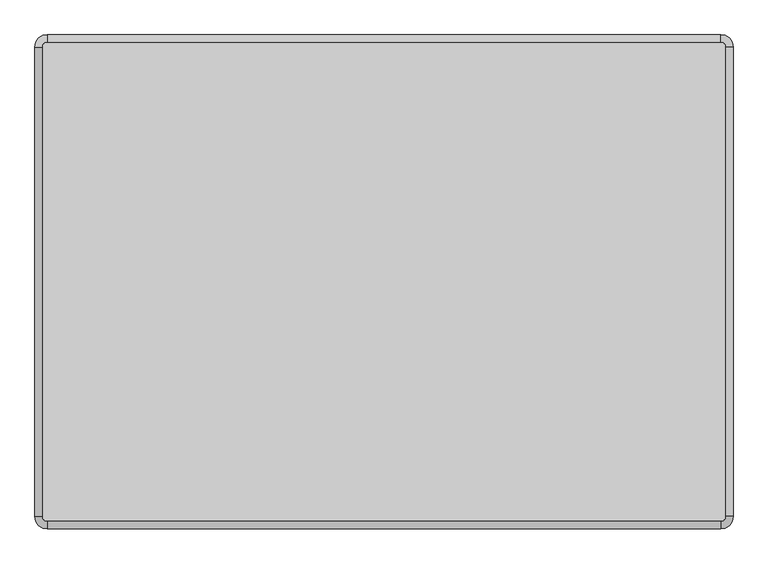
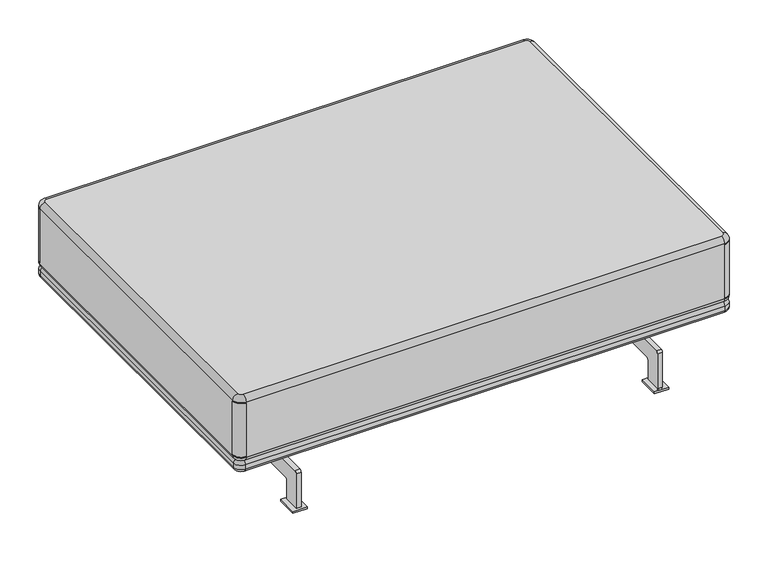
"""IFC4 building model written with IfcOpenShell, lengths in millimetres: furniture geometry."""

import ifcopenshell
import ifcopenshell.guid

model = None  # the IFC model being written
_history = None  # IfcOwnerHistory: only IFC2X3 demands one
_inside = {}  # id of a spatial element -> (the spatial element, [elements in it])
_under = {}  # id of a project, library or spatial element -> (it, [spatial elements below it])
_declared = {}  # id of a project -> (the project, [libraries it declares])
_typed = {}  # id of a type object -> (the type object, [elements of that type])
_made_of = {}  # id of a material, layer set ... -> (it, [elements and type objects made of it])


def new_model(schema):
    """Start an empty IFC model of exactly this schema.

    Asked for "IFC4X3", IfcOpenShell would pick the latest addendum, in which some entities
    have other attributes; the version numbers below select the first issue.
    IFC2X3 requires an IfcOwnerHistory on every rooted entity: one is made here for all.
    """
    global model, _history
    if schema == "IFC4X3":
        model = ifcopenshell.file(schema_version=(4, 3, 0, 0))
    else:
        model = ifcopenshell.file(schema=schema)
    _inside.clear()
    _under.clear()
    _declared.clear()
    _typed.clear()
    _made_of.clear()
    _history = None
    if model.schema == "IFC2X3":
        org = make("IfcOrganization", Name="unknown")
        user = make(
            "IfcPersonAndOrganization",
            ThePerson=make("IfcPerson", FamilyName="unknown"),
            TheOrganization=org,
        )
        app = make(
            "IfcApplication",
            ApplicationDeveloper=org,
            Version="unknown",
            ApplicationFullName="unknown",
            ApplicationIdentifier="unknown",
        )
        _history = make(
            "IfcOwnerHistory",
            OwningUser=user,
            OwningApplication=app,
            ChangeAction="ADDED",
            CreationDate=0,
        )
    return model


def make(cls, **values):
    """One entity of the class cls with the attributes given. An attribute that is None is left unset."""
    return model.create_entity(
        cls, **{name: value for name, value in values.items() if value is not None}
    )


def rooted(cls, **values):
    """An entity with a GlobalId (a new one), such as an element, a storey or a relation."""
    return make(cls, GlobalId=ifcopenshell.guid.new(), OwnerHistory=_history, **values)


def si_unit(unit_type, name, prefix=None):
    """IfcSIUnit, for example si_unit("LENGTHUNIT", "METRE", prefix="MILLI")."""
    return make("IfcSIUnit", UnitType=unit_type, Prefix=prefix, Name=name)


def assignment(units):
    """IfcUnitAssignment: the units of a project."""
    return None if units is None else make("IfcUnitAssignment", Units=units)


def point(xyz):
    """IfcCartesianPoint."""
    return None if xyz is None else make("IfcCartesianPoint", Coordinates=xyz)


def direction(xyz):
    """IfcDirection."""
    return None if xyz is None else make("IfcDirection", DirectionRatios=xyz)


def frame(location, z_axis=None, x_axis=None):
    """IfcAxis2Placement3D, a coordinate frame: its origin and axes. An axis left out is left unset."""
    return make(
        "IfcAxis2Placement3D",
        Location=point(location),
        Axis=direction(z_axis),
        RefDirection=direction(x_axis),
    )


def frame_2d(location, x_axis=None):
    """IfcAxis2Placement2D, a coordinate frame in the plane: its origin and x axis."""
    return make(
        "IfcAxis2Placement2D", Location=point(location), RefDirection=direction(x_axis)
    )


def origin():
    """The frame at (0, 0, 0) with its axes left unset."""
    return frame((0.0, 0.0, 0.0))


def origin_with_axes():
    """The frame at (0, 0, 0) with the z axis (0, 0, 1) and the x axis (1, 0, 0) written out."""
    return frame((0.0, 0.0, 0.0), z_axis=(0.0, 0.0, 1.0), x_axis=(1.0, 0.0, 0.0))


def place(relative_to, where):
    """IfcLocalPlacement: puts the frame where relative to a parent placement (None: the world)."""
    return make(
        "IfcLocalPlacement", PlacementRelTo=relative_to, RelativePlacement=where
    )


def context(
    kind, dimensions, precision=None, world=None, true_north=None, identifier=None
):
    """IfcGeometricRepresentationContext, for example the 3D "Model" context."""
    return make(
        "IfcGeometricRepresentationContext",
        ContextIdentifier=identifier,
        ContextType=kind,
        CoordinateSpaceDimension=dimensions,
        Precision=precision,
        WorldCoordinateSystem=world,
        TrueNorth=true_north,
    )


def project(units=None, contexts=None):
    """IfcProject with its units and contexts."""
    return rooted(
        "IfcProject",
        Name="project",
        RepresentationContexts=contexts,
        UnitsInContext=assignment(units),
    )


def spatial(cls, under=None, at=None, **own):
    """A site, building, storey or space (cls), placed at a placement, below another one or the project."""
    s = rooted(cls, ObjectPlacement=at, **own)
    if under is not None:
        _under.setdefault(under.id(), (under, []))[1].append(s)
    return s


def polyline(points):
    """IfcPolyline through the points."""
    return make("IfcPolyline", Points=[point(p) for p in points])


def circle_curve(where, radius):
    """IfcCircle in the frame where."""
    return make("IfcCircle", Position=where, Radius=radius)


def ellipse_curve(where, semi_axis1, semi_axis2):
    """IfcEllipse in the frame where."""
    return make(
        "IfcEllipse", Position=where, SemiAxis1=semi_axis1, SemiAxis2=semi_axis2
    )


def trimmed(basis, trim1, trim2, sense, master):
    """IfcTrimmedCurve: the piece of a basis curve between two trims."""
    return make(
        "IfcTrimmedCurve",
        BasisCurve=basis,
        Trim1=trim1,
        Trim2=trim2,
        SenseAgreement=sense,
        MasterRepresentation=master,
    )


def segment(curve, same_sense, transition):
    """IfcCompositeCurveSegment."""
    return make(
        "IfcCompositeCurveSegment",
        Transition=transition,
        SameSense=same_sense,
        ParentCurve=curve,
    )


def composite_curve(segments, self_intersect=None):
    """IfcCompositeCurve: segments joined end to end."""
    return make("IfcCompositeCurve", Segments=segments, SelfIntersect=self_intersect)


def outline(outer, holes=None, kind="AREA"):
    """IfcArbitraryClosedProfileDef: a profile drawn as a closed curve; with holes, ...WithVoids."""
    if holes is None:
        return make("IfcArbitraryClosedProfileDef", ProfileType=kind, OuterCurve=outer)
    return make(
        "IfcArbitraryProfileDefWithVoids",
        ProfileType=kind,
        OuterCurve=outer,
        InnerCurves=holes,
    )


def extrude(swept, where, along, depth):
    """IfcExtrudedAreaSolid: the profile swept, set in the frame where, extruded along a direction by depth."""
    return make(
        "IfcExtrudedAreaSolid",
        SweptArea=swept,
        Position=where,
        ExtrudedDirection=direction(along),
        Depth=depth,
    )


def shape(context_of_items, identifier, shape_type, items):
    """IfcShapeRepresentation: the items that make up one representation, for example the "Body"."""
    return make(
        "IfcShapeRepresentation",
        ContextOfItems=context_of_items,
        RepresentationIdentifier=identifier,
        RepresentationType=shape_type,
        Items=items,
    )


def source(mapping_origin, context_of_items, identifier, shape_type, items):
    """IfcRepresentationMap: a shape defined once, which mapped items show again and again."""
    return make(
        "IfcRepresentationMap",
        MappingOrigin=mapping_origin,
        MappedRepresentation=shape(context_of_items, identifier, shape_type, items),
    )


def transform(
    local_origin,
    x_axis=None,
    y_axis=None,
    z_axis=None,
    scale=None,
    scale2=None,
    scale3=None,
    uniform=True,
):
    """IfcCartesianTransformationOperator3D, or its non-uniform kind. x_axis, y_axis, z_axis: its Axis1, 2, 3."""
    if uniform:
        return make(
            "IfcCartesianTransformationOperator3D",
            Axis1=direction(x_axis),
            Axis2=direction(y_axis),
            LocalOrigin=point(local_origin),
            Scale=scale,
            Axis3=direction(z_axis),
        )
    return make(
        "IfcCartesianTransformationOperator3DnonUniform",
        Axis1=direction(x_axis),
        Axis2=direction(y_axis),
        LocalOrigin=point(local_origin),
        Scale=scale,
        Axis3=direction(z_axis),
        Scale2=scale2,
        Scale3=scale3,
    )


def mapped(mapping_source, mapping_target):
    """IfcMappedItem: shows the shape of a source again, moved by a transform."""
    return make(
        "IfcMappedItem", MappingSource=mapping_source, MappingTarget=mapping_target
    )


def made_of(thing, what):
    """Note that an element or type object is made of a material, layer set ...; save() writes the relation."""
    if what is not None:
        _made_of.setdefault(what.id(), (what, []))[1].append(thing)
    return thing


def element(
    cls,
    number,
    at=None,
    inside=None,
    cuts=None,
    type_object=None,
    material=None,
    context=None,
    identifier="Body",
    shape_type=None,
    held_by="IfcProductDefinitionShape",
    body=None,
    shapes=None,
    **own,
):
    """One element of the class cls, such as IfcWall. Its Tag is "e" and its number.

    at: its placement. inside: the storey or other place that contains it. cuts: it is an
    opening in that element (IfcRelVoidsElement). A single representation is given by context,
    identifier, shape_type and body (its items); several are given by shapes. held_by: the class
    of the entity that holds the representations. save() writes the other relations.
    """
    e = rooted(cls, Tag="e%d" % number, ObjectPlacement=at, **own)
    if body is not None:
        shapes = [shape(context, identifier, shape_type, body)]
    if shapes is not None:
        e.Representation = make(held_by, Representations=shapes)
    if inside is not None:
        _inside.setdefault(inside.id(), (inside, []))[1].append(e)
    if cuts is not None:
        rooted(
            "IfcRelVoidsElement", RelatingBuildingElement=cuts, RelatedOpeningElement=e
        )
    if type_object is not None:
        _typed.setdefault(type_object.id(), (type_object, []))[1].append(e)
    return made_of(e, material)


def aggregate(whole, parts):
    """IfcRelAggregates: a whole, such as a stair, and the parts it consists of."""
    return rooted("IfcRelAggregates", RelatingObject=whole, RelatedObjects=parts)


def save(model, path):
    """Write the relations noted so far, then the file.

    IfcRelAggregates (storeys below a building ...), IfcRelContainedInSpatialStructure (elements
    in a storey), IfcRelDefinesByType, IfcRelAssociatesMaterial and IfcRelDeclares: one each for
    every whole, place, type object, material and project.
    """
    for whole, parts in _under.values():
        aggregate(whole, parts)
    for where, things in _inside.values():
        rooted(
            "IfcRelContainedInSpatialStructure",
            RelatedElements=things,
            RelatingStructure=where,
        )
    for kind, things in _typed.values():
        rooted("IfcRelDefinesByType", RelatedObjects=things, RelatingType=kind)
    for what, things in _made_of.values():
        rooted("IfcRelAssociatesMaterial", RelatedObjects=things, RelatingMaterial=what)
    for by, libraries in _declared.values():
        rooted("IfcRelDeclares", RelatingContext=by, RelatedDefinitions=libraries)
    model.write(path)


def plane_surface(at):
    """IfcPlane: the flat surface through the origin of the frame at, square to its z axis."""
    return make("IfcPlane", Position=at)


def cylinder_surface(at, radius):
    """IfcCylindricalSurface: all points at the distance radius from the z axis of the frame at."""
    return make("IfcCylindricalSurface", Position=at, Radius=radius)


def revolved_surface(curve, axis_point, axis_direction):
    """IfcSurfaceOfRevolution: the curve turned about the line through axis_point along axis_direction."""
    return make(
        "IfcSurfaceOfRevolution",
        SweptCurve=make("IfcArbitraryOpenProfileDef", ProfileType="CURVE", Curve=curve),
        AxisPosition=make("IfcAxis1Placement", Location=point(axis_point), Axis=direction(axis_direction)),
    )


def advanced_brep(points, edges, surfaces, faces):
    """IfcAdvancedBrep: a solid bounded by faces that lie on surfaces and meet in shared edges.

    An edge is (start, end): straight between two places in points (the first is 0);
    or (start, end, curve); or (start, end, curve, False) where it runs against its curve.
    A face is (place in surfaces, loops), or (place, loops, False) where it looks against
    its surface's normal. A loop lists edges by number (the first is 1), with a minus sign
    where the edge is run from its end to its start. The first loop is the outer one.
    """
    corners = [point(p) for p in points]
    vertices = [make("IfcVertexPoint", VertexGeometry=c) for c in corners]
    made = []
    for start, end, *more in edges:
        made.append(
            make(
                "IfcEdgeCurve",
                EdgeStart=vertices[start],
                EdgeEnd=vertices[end],
                EdgeGeometry=more[0] if more else make("IfcPolyline", Points=[corners[start], corners[end]]),
                SameSense=more[1] if len(more) > 1 else True,
            )
        )
    hull = []
    for where, loops, *sense in faces:
        bounds = []
        for j, loop in enumerate(loops):
            ring = [make("IfcOrientedEdge", EdgeElement=made[abs(k) - 1], Orientation=k > 0) for k in loop]
            bounds.append(
                make(
                    "IfcFaceOuterBound" if j == 0 else "IfcFaceBound",
                    Bound=make("IfcEdgeLoop", EdgeList=ring),
                    Orientation=True,
                )
            )
        hull.append(make("IfcAdvancedFace", Bounds=bounds, FaceSurface=surfaces[where], SameSense=sense[0] if sense else True))
    return make("IfcAdvancedBrep", Outer=make("IfcClosedShell", CfsFaces=hull))


def furniture_5f7a2bc5(model_context):
    return source(origin(), model_context, "Body", "SolidModel", [
        advanced_brep(
        [(-601.3664299, -406.0173099, 336.7190305), (-601.3664299, -406.0173099, 199.9545565), (-580.3183859, -427.065354, 199.9545565), (-580.3183859, -427.065354, 336.7190305), (-580.3183859, -427.065354, 197.3364528), (584.3360127, -427.065354, 197.3364528), (584.3360127, -427.065354, 199.9545565), (584.3360127, -427.065354, 336.7190305), (584.3360127, -427.065354, 339.3371343), (-580.3183859, -427.065354, 339.3371343), (605.3840568, -406.0173099, 199.9545565), (605.3840568, -406.0173099, 336.7190305), (605.3840568, -406.0173099, 197.3364528), (605.3840568, 406.0373968, 197.3364528), (605.3840568, 406.0373968, 199.9545565), (605.3840568, 406.0373968, 336.7190305), (605.3840568, 406.0373968, 339.3371343), (605.3840568, -406.0173099, 339.3371343), (584.3360127, 427.0854409, 199.9545565), (584.3360127, 427.0854409, 336.7190305), (584.3360127, 427.0854409, 197.3364528), (-580.3183859, 427.0854409, 197.3364528), (-580.3183859, 427.0854409, 199.9545565), (-580.3183859, 427.0854409, 336.7190305), (-580.3183859, 427.0854409, 339.3371343), (584.3360127, 427.0854409, 339.3371343), (-601.3664299, 406.0373968, 199.9545565), (-601.3664299, 406.0373968, 336.7190305), (-601.3664299, -406.0173099, 339.3371343), (-601.3664299, 406.0373968, 339.3371343), (-601.3664299, 406.0373968, 197.3364528), (-601.3664299, -406.0173099, 197.3364528), (-589.0299771, 406.0373968, 351.6735871), (-580.3183859, 414.7489881, 351.6735871), (-589.0299771, -406.0173099, 351.6735871), (-580.3183859, -414.7289012, 351.6735871), (584.3360127, -414.7289012, 351.6735871), (593.047604, -406.0173099, 351.6735871), (593.047604, 406.0373968, 351.6735871), (584.3360127, 414.7489881, 351.6735871), (-589.0299771, 406.0373968, 185.0), (-580.3183859, 414.7489881, 185.0), (584.3360127, 414.7489881, 185.0), (593.047604, 406.0373968, 185.0), (593.047604, -406.0173099, 185.0), (584.3360127, -414.7289012, 185.0), (-580.3183859, -414.7289012, 185.0), (-589.0299771, -406.0173099, 185.0)],
        [
            (0, 1),
            (1, 2, circle_curve(frame((-580.3183859, -406.0173099, 199.9545565), z_axis=(0.0, 0.0, 1.0), x_axis=(-1.0, 0.0, 0.0)), 21.0480441)),
            (2, 3),
            (3, 0, circle_curve(frame((-580.3183859, -406.0173099, 336.7190305), z_axis=(0.0, 0.0, -1.0), x_axis=(-1.0, 0.0, 0.0)), 21.0480441)),
            (2, 4),
            (4, 5),
            (5, 6),
            (6, 7),
            (7, 8),
            (8, 9),
            (9, 3),
            (6, 10, circle_curve(frame((584.3360127, -406.0173099, 199.9545565), z_axis=(0.0, 0.0, 1.0), x_axis=(0.0, -1.0, 0.0)), 21.0480441)),
            (10, 11),
            (11, 7, circle_curve(frame((584.3360127, -406.0173099, 336.7190305), z_axis=(0.0, 0.0, -1.0), x_axis=(0.0, -1.0, 0.0)), 21.0480441)),
            (10, 12),
            (12, 13),
            (13, 14),
            (14, 15),
            (15, 16),
            (16, 17),
            (17, 11),
            (14, 18, circle_curve(frame((584.3360127, 406.0373968, 199.9545565), z_axis=(0.0, 0.0, 1.0), x_axis=(1.0, 0.0, 0.0)), 21.0480441)),
            (18, 19),
            (19, 15, circle_curve(frame((584.3360127, 406.0373968, 336.7190305), z_axis=(0.0, 0.0, -1.0), x_axis=(1.0, 0.0, 0.0)), 21.0480441)),
            (18, 20),
            (20, 21),
            (21, 22),
            (22, 23),
            (23, 24),
            (24, 25),
            (25, 19),
            (22, 26, circle_curve(frame((-580.3183859, 406.0373968, 199.9545565), z_axis=(0.0, 0.0, 1.0), x_axis=(0.0, 1.0, 0.0)), 21.0480441)),
            (26, 27),
            (27, 23, circle_curve(frame((-580.3183859, 406.0373968, 336.7190305), z_axis=(0.0, 0.0, -1.0), x_axis=(0.0, 1.0, 0.0)), 21.0480441)),
            (0, 28),
            (28, 29),
            (29, 27),
            (26, 30),
            (30, 31),
            (31, 1),
            (29, 24, circle_curve(frame((-580.3183859, 406.0373968, 339.3371343), z_axis=(0.0, 0.0, -1.0), x_axis=(0.0, 1.0, 0.0)), 21.0480441)),
            (29, 32, circle_curve(frame((-589.0299771, 406.0373968, 339.3371343), z_axis=(0.0, 1.0, 0.0), x_axis=(1.0, 0.0, 0.0)), 12.3364528)),
            (32, 33, circle_curve(frame((-580.3183859, 406.0373968, 351.6735871), z_axis=(0.0, 0.0, -1.0), x_axis=(0.0, 1.0, 0.0)), 8.7115913)),
            (33, 24, circle_curve(frame((-580.3183859, 414.7489881, 339.3371343), z_axis=(-1.0, 0.0, 0.0), x_axis=(0.0, -1.0, 0.0)), 12.3364528)),
            (28, 34, circle_curve(frame((-589.0299771, -406.0173099, 339.3371343), z_axis=(0.0, 1.0, 0.0), x_axis=(1.0, 0.0, 0.0)), 12.3364528)),
            (34, 32),
            (9, 28, circle_curve(frame((-580.3183859, -406.0173099, 339.3371343), z_axis=(0.0, 0.0, -1.0), x_axis=(-1.0, 0.0, 0.0)), 21.0480441)),
            (9, 35, circle_curve(frame((-580.3183859, -414.7289012, 339.3371343), z_axis=(-1.0, 0.0, 0.0), x_axis=(0.0, 1.0, 0.0)), 12.3364528)),
            (35, 34, circle_curve(frame((-580.3183859, -406.0173099, 351.6735871), z_axis=(0.0, 0.0, -1.0), x_axis=(-1.0, 0.0, 0.0)), 8.7115913)),
            (8, 36, circle_curve(frame((584.3360127, -414.7289012, 339.3371343), z_axis=(-1.0, 0.0, 0.0), x_axis=(0.0, 1.0, 0.0)), 12.3364528)),
            (36, 35),
            (17, 8, circle_curve(frame((584.3360127, -406.0173099, 339.3371343), z_axis=(0.0, 0.0, -1.0), x_axis=(0.0, -1.0, 0.0)), 21.0480441)),
            (17, 37, circle_curve(frame((593.047604, -406.0173099, 339.3371343), z_axis=(0.0, -1.0, 0.0), x_axis=(-1.0, 0.0, 0.0)), 12.3364528)),
            (37, 36, circle_curve(frame((584.3360127, -406.0173099, 351.6735871), z_axis=(0.0, 0.0, -1.0), x_axis=(0.0, -1.0, 0.0)), 8.7115913)),
            (16, 38, circle_curve(frame((593.047604, 406.0373968, 339.3371343), z_axis=(0.0, -1.0, 0.0), x_axis=(-1.0, 0.0, 0.0)), 12.3364528)),
            (38, 37),
            (25, 16, circle_curve(frame((584.3360127, 406.0373968, 339.3371343), z_axis=(0.0, 0.0, -1.0), x_axis=(1.0, 0.0, 0.0)), 21.0480441)),
            (25, 39, circle_curve(frame((584.3360127, 414.7489881, 339.3371343), z_axis=(1.0, 0.0, 0.0), x_axis=(0.0, -1.0, 0.0)), 12.3364528)),
            (39, 38, circle_curve(frame((584.3360127, 406.0373968, 351.6735871), z_axis=(0.0, 0.0, -1.0), x_axis=(1.0, 0.0, 0.0)), 8.7115913)),
            (33, 39),
            (40, 41, circle_curve(frame((-580.3183859, 406.0373968, 185.0), z_axis=(0.0, 0.0, -1.0), x_axis=(0.0, 1.0, 0.0)), 8.7115913)),
            (41, 42),
            (42, 43, circle_curve(frame((584.3360127, 406.0373968, 185.0), z_axis=(0.0, 0.0, -1.0), x_axis=(1.0, 0.0, 0.0)), 8.7115913)),
            (43, 44),
            (44, 45, circle_curve(frame((584.3360127, -406.0173099, 185.0), z_axis=(0.0, 0.0, -1.0), x_axis=(0.0, -1.0, 0.0)), 8.7115913)),
            (45, 46),
            (46, 47, circle_curve(frame((-580.3183859, -406.0173099, 185.0), z_axis=(0.0, 0.0, -1.0), x_axis=(-1.0, 0.0, 0.0)), 8.7115913)),
            (47, 40),
            (21, 30, circle_curve(frame((-580.3183859, 406.0373968, 197.3364528), z_axis=(0.0, 0.0, 1.0), x_axis=(0.0, 1.0, 0.0)), 21.0480441)),
            (21, 41, circle_curve(frame((-580.3183859, 414.7489881, 197.3364528), z_axis=(-1.0, 0.0, 0.0), x_axis=(0.0, -1.0, 0.0)), 12.3364528)),
            (40, 30, circle_curve(frame((-589.0299771, 406.0373968, 197.3364528), z_axis=(0.0, 1.0, 0.0), x_axis=(1.0, 0.0, 0.0)), 12.3364528)),
            (47, 31, circle_curve(frame((-589.0299771, -406.0173099, 197.3364528), z_axis=(0.0, 1.0, 0.0), x_axis=(1.0, 0.0, 0.0)), 12.3364528)),
            (31, 4, circle_curve(frame((-580.3183859, -406.0173099, 197.3364528), z_axis=(0.0, 0.0, 1.0), x_axis=(-1.0, 0.0, 0.0)), 21.0480441)),
            (46, 4, circle_curve(frame((-580.3183859, -414.7289012, 197.3364528), z_axis=(-1.0, 0.0, 0.0), x_axis=(0.0, 1.0, 0.0)), 12.3364528)),
            (45, 5, circle_curve(frame((584.3360127, -414.7289012, 197.3364528), z_axis=(-1.0, 0.0, 0.0), x_axis=(0.0, 1.0, 0.0)), 12.3364528)),
            (5, 12, circle_curve(frame((584.3360127, -406.0173099, 197.3364528), z_axis=(0.0, 0.0, 1.0), x_axis=(0.0, -1.0, 0.0)), 21.0480441)),
            (44, 12, circle_curve(frame((593.047604, -406.0173099, 197.3364528), z_axis=(0.0, -1.0, 0.0), x_axis=(-1.0, 0.0, 0.0)), 12.3364528)),
            (43, 13, circle_curve(frame((593.047604, 406.0373968, 197.3364528), z_axis=(0.0, -1.0, 0.0), x_axis=(-1.0, 0.0, 0.0)), 12.3364528)),
            (13, 20, circle_curve(frame((584.3360127, 406.0373968, 197.3364528), z_axis=(0.0, 0.0, 1.0), x_axis=(1.0, 0.0, 0.0)), 21.0480441)),
            (42, 20, circle_curve(frame((584.3360127, 414.7489881, 197.3364528), z_axis=(1.0, 0.0, 0.0), x_axis=(0.0, -1.0, 0.0)), 12.3364528)),
        ],
        [
            cylinder_surface(frame((-580.3183859, -406.0173099, 199.9545565), z_axis=(0.0, 0.0, 1.0), x_axis=(-1.0, 0.0, 0.0)), 21.0480441),
            plane_surface(frame((-580.3183859, -427.065354, 336.7190305), z_axis=(0.0, -1.0, 0.0), x_axis=(0.0, 0.0, -1.0))),
            cylinder_surface(frame((584.3360127, -406.0173099, 199.9545565), z_axis=(0.0, 0.0, 1.0), x_axis=(0.0, -1.0, 0.0)), 21.0480441),
            plane_surface(frame((605.3840568, -406.0173099, 336.7190305), z_axis=(1.0, 0.0, 0.0), x_axis=(0.0, 0.0, -1.0))),
            cylinder_surface(frame((584.3360127, 406.0373968, 199.9545565), z_axis=(0.0, 0.0, 1.0), x_axis=(1.0, 0.0, 0.0)), 21.0480441),
            plane_surface(frame((584.3360127, 427.0854409, 336.7190305), z_axis=(0.0, 1.0, 0.0), x_axis=(0.0, 0.0, -1.0))),
            cylinder_surface(frame((-580.3183859, 406.0373968, 199.9545565), z_axis=(0.0, 0.0, 1.0), x_axis=(0.0, 1.0, 0.0)), 21.0480441),
            plane_surface(frame((-601.3664299, 406.0373968, 336.7190305), z_axis=(-1.0, 0.0, 0.0), x_axis=(0.0, 0.0, -1.0))),
            cylinder_surface(frame((-580.3183859, 406.0373968, 351.6735871), z_axis=(0.0, 0.0, 1.0), x_axis=(0.0, 1.0, 0.0)), 21.0480441),
            revolved_surface(trimmed(ellipse_curve(frame((-580.3183859, 414.7489881, 339.3371343), z_axis=(1.0, 0.0, 0.0), x_axis=(0.0, -1.0, 0.0)), 12.3364528, 12.3364528), [point((-580.3183859, 427.0854409, 339.3371343))], [point((-580.3183859, 414.7489881, 351.6735871))], True, "CARTESIAN"), (-580.3183859, 406.0373968, 351.6735871), (0.0, 0.0, 1.0)),
            cylinder_surface(frame((-589.0299771, 406.0373968, 339.3371343), z_axis=(0.0, 1.0, 0.0), x_axis=(1.0, 0.0, 0.0)), 12.3364528),
            cylinder_surface(frame((-580.3183859, -406.0173099, 351.6735871), z_axis=(0.0, 0.0, 1.0), x_axis=(-1.0, 0.0, 0.0)), 21.0480441),
            revolved_surface(trimmed(ellipse_curve(frame((-589.0299771, -406.0173099, 339.3371343), z_axis=(0.0, 1.0, 0.0), x_axis=(1.0, 0.0, 0.0)), 12.3364528, 12.3364528), [point((-601.3664299, -406.0173099, 339.3371343))], [point((-589.0299771, -406.0173099, 351.6735871))], True, "CARTESIAN"), (-580.3183859, -406.0173099, 351.6735871), (0.0, 0.0, 1.0)),
            cylinder_surface(frame((-580.3183859, -414.7289012, 339.3371343), z_axis=(-1.0, 0.0, 0.0), x_axis=(0.0, 1.0, 0.0)), 12.3364528),
            cylinder_surface(frame((584.3360127, -406.0173099, 351.6735871), z_axis=(0.0, 0.0, 1.0), x_axis=(0.0, -1.0, 0.0)), 21.0480441),
            revolved_surface(trimmed(ellipse_curve(frame((584.3360127, -414.7289012, 339.3371343), z_axis=(-1.0, 0.0, 0.0), x_axis=(0.0, 1.0, 0.0)), 12.3364528, 12.3364528), [point((584.3360127, -427.065354, 339.3371343))], [point((584.3360127, -414.7289012, 351.6735871))], True, "CARTESIAN"), (584.3360127, -406.0173099, 351.6735871), (0.0, 0.0, 1.0)),
            cylinder_surface(frame((593.047604, -406.0173099, 339.3371343), z_axis=(0.0, -1.0, 0.0), x_axis=(-1.0, 0.0, 0.0)), 12.3364528),
            cylinder_surface(frame((584.3360127, 406.0373968, 351.6735871), z_axis=(0.0, 0.0, 1.0), x_axis=(1.0, 0.0, 0.0)), 21.0480441),
            revolved_surface(trimmed(ellipse_curve(frame((593.047604, 406.0373968, 339.3371343), z_axis=(0.0, -1.0, 0.0), x_axis=(-1.0, 0.0, 0.0)), 12.3364528, 12.3364528), [point((605.3840568, 406.0373968, 339.3371343))], [point((593.047604, 406.0373968, 351.6735871))], True, "CARTESIAN"), (584.3360127, 406.0373968, 351.6735871), (0.0, 0.0, 1.0)),
            cylinder_surface(frame((584.3360127, 414.7489881, 339.3371343), z_axis=(1.0, 0.0, 0.0), x_axis=(0.0, -1.0, 0.0)), 12.3364528),
            plane_surface(frame((584.3360127, 414.7489881, 351.6735871), z_axis=(0.0, 0.0, 1.0), x_axis=(-1.0, 0.0, 0.0))),
            plane_surface(frame((584.3360127, 411.0373968, 185.0), z_axis=(0.0, 0.0, -1.0), x_axis=(1.0, 0.0, 0.0))),
            cylinder_surface(frame((-580.3183859, 406.0373968, 185.0), z_axis=(0.0, 0.0, 1.0), x_axis=(0.0, 1.0, 0.0)), 21.0480441),
            revolved_surface(trimmed(ellipse_curve(frame((-580.3183859, 414.7489881, 197.3364528), z_axis=(1.0, 0.0, 0.0), x_axis=(0.0, -1.0, 0.0)), 12.3364528, 12.3364528), [point((-580.3183859, 414.7489881, 185.0))], [point((-580.3183859, 427.0854409, 197.3364528))], True, "CARTESIAN"), (-580.3183859, 406.0373968, 185.0), (0.0, 0.0, 1.0)),
            cylinder_surface(frame((-589.0299771, 406.0373968, 197.3364528), z_axis=(0.0, 1.0, 0.0), x_axis=(1.0, 0.0, 0.0)), 12.3364528),
            cylinder_surface(frame((-580.3183859, -406.0173099, 185.0), z_axis=(0.0, 0.0, 1.0), x_axis=(-1.0, 0.0, 0.0)), 21.0480441),
            revolved_surface(trimmed(ellipse_curve(frame((-589.0299771, -406.0173099, 197.3364528), z_axis=(0.0, 1.0, 0.0), x_axis=(1.0, 0.0, 0.0)), 12.3364528, 12.3364528), [point((-589.0299771, -406.0173099, 185.0))], [point((-601.3664299, -406.0173099, 197.3364528))], True, "CARTESIAN"), (-580.3183859, -406.0173099, 185.0), (0.0, 0.0, 1.0)),
            cylinder_surface(frame((-580.3183859, -414.7289012, 197.3364528), z_axis=(-1.0, 0.0, 0.0), x_axis=(0.0, 1.0, 0.0)), 12.3364528),
            cylinder_surface(frame((584.3360127, -406.0173099, 185.0), z_axis=(0.0, 0.0, 1.0), x_axis=(0.0, -1.0, 0.0)), 21.0480441),
            revolved_surface(trimmed(ellipse_curve(frame((584.3360127, -414.7289012, 197.3364528), z_axis=(-1.0, 0.0, 0.0), x_axis=(0.0, 1.0, 0.0)), 12.3364528, 12.3364528), [point((584.3360127, -414.7289012, 185.0))], [point((584.3360127, -427.065354, 197.3364528))], True, "CARTESIAN"), (584.3360127, -406.0173099, 185.0), (0.0, 0.0, 1.0)),
            cylinder_surface(frame((593.047604, -406.0173099, 197.3364528), z_axis=(0.0, -1.0, 0.0), x_axis=(-1.0, 0.0, 0.0)), 12.3364528),
            cylinder_surface(frame((584.3360127, 406.0373968, 185.0), z_axis=(0.0, 0.0, 1.0), x_axis=(1.0, 0.0, 0.0)), 21.0480441),
            revolved_surface(trimmed(ellipse_curve(frame((593.047604, 406.0373968, 197.3364528), z_axis=(0.0, -1.0, 0.0), x_axis=(-1.0, 0.0, 0.0)), 12.3364528, 12.3364528), [point((593.047604, 406.0373968, 185.0))], [point((605.3840568, 406.0373968, 197.3364528))], True, "CARTESIAN"), (584.3360127, 406.0373968, 185.0), (0.0, 0.0, 1.0)),
            cylinder_surface(frame((584.3360127, 414.7489881, 197.3364528), z_axis=(1.0, 0.0, 0.0), x_axis=(0.0, -1.0, 0.0)), 12.3364528),
        ],
        [
            (0, [[1, 2, 3, 4]]),
            (1, [[-3, 5, 6, 7, 8, 9, 10, 11]]),
            (2, [[-8, 12, 13, 14]]),
            (3, [[-13, 15, 16, 17, 18, 19, 20, 21]]),
            (4, [[-18, 22, 23, 24]]),
            (5, [[-23, 25, 26, 27, 28, 29, 30, 31]]),
            (6, [[-28, 32, 33, 34]]),
            (7, [[-1, 35, 36, 37, -33, 38, 39, 40]]),
            (8, [[41, -29, -34, -37]]),
            (9, [[-41, 42, 43, 44]]),
            (10, [[-42, -36, 45, 46]]),
            (11, [[-35, -4, -11, 47]]),
            (12, [[-45, -47, 48, 49]]),
            (13, [[-48, -10, 50, 51]]),
            (14, [[-9, -14, -21, 52]]),
            (15, [[-50, -52, 53, 54]]),
            (16, [[-53, -20, 55, 56]]),
            (17, [[-19, -24, -31, 57]]),
            (18, [[-55, -57, 58, 59]]),
            (19, [[-44, 60, -58, -30]]),
            (20, [[-43, -46, -49, -51, -54, -56, -59, -60]]),
            (21, [[61, 62, 63, 64, 65, 66, 67, 68]]),
            (22, [[-27, 69, -38, -32]]),
            (23, [[-69, 70, -61, 71]]),
            (24, [[-71, -68, 72, -39]]),
            (25, [[-40, 73, -5, -2]]),
            (26, [[-72, -67, 74, -73]]),
            (27, [[-74, -66, 75, -6]]),
            (28, [[-7, 76, -15, -12]]),
            (29, [[-75, -65, 77, -76]]),
            (30, [[-77, -64, 78, -16]]),
            (31, [[-17, 79, -25, -22]]),
            (32, [[-78, -63, 80, -79]]),
            (33, [[-70, -26, -80, -62]]),
        ],
    ),
        extrude(outline(polyline([(458.1063501, -411.0581912), (423.1063501, -411.0581912), (423.1063501, -359.0667039), (458.1063501, -359.0667039), (458.1063501, -411.0581912)])), origin_with_axes(), (0.0, 0.0, 1.0), 5.0),
        extrude(outline(polyline([(458.1063501, 410.9282129), (458.1063501, 358.9367256), (423.1063501, 358.9367256), (423.1063501, 410.9282129), (458.1063501, 410.9282129)])), origin_with_axes(), (0.0, 0.0, 1.0), 5.0),
        extrude(outline(composite_curve([segment(polyline([(259.9353539, 99.9874953), (399.942312, 99.9874953)]), True, "CONTINUOUS"), segment(trimmed(circle_curve(frame_2d((399.942312, 94.9874953)), 5.0), [point((399.942312, 99.9874953))], [point((404.942312, 94.9874953))], False, "CARTESIAN"), True, "CONTINUOUS"), segment(polyline([(404.942312, 94.9874953), (404.942312, 5.0)]), True, "CONTINUOUS"), segment(trimmed(circle_curve(frame_2d((399.942312, 5.0)), 5.0), [point((404.942312, 5.0))], [point((399.942312, 0.0))], False, "CARTESIAN"), True, "CONTINUOUS"), segment(polyline([(399.942312, 0.0), (369.9397707, 0.0)]), True, "CONTINUOUS"), segment(trimmed(circle_curve(frame_2d((369.9397707, 5.0)), 5.0), [point((369.9397707, 0.0))], [point((364.9397707, 5.0))], False, "CARTESIAN"), True, "CONTINUOUS"), segment(polyline([(364.9397707, 5.0), (364.9397707, 54.9883827)]), True, "CONTINUOUS"), segment(trimmed(circle_curve(frame_2d((359.9397707, 54.9883827)), 5.0), [point((364.9397707, 54.9883827))], [point((359.9397707, 59.9883827))], True, "CARTESIAN"), True, "CONTINUOUS"), segment(polyline([(359.9397707, 59.9883827), (-360.0680339, 59.9883827)]), True, "CONTINUOUS"), segment(trimmed(circle_curve(frame_2d((-360.0680339, 54.9883827)), 5.0), [point((-360.0680339, 59.9883827))], [point((-365.0680339, 54.9883827))], True, "CARTESIAN"), True, "CONTINUOUS"), segment(polyline([(-365.0680339, 54.9883827), (-365.0680339, 5.0)]), True, "CONTINUOUS"), segment(trimmed(circle_curve(frame_2d((-370.0680339, 5.0)), 5.0), [point((-365.0680339, 5.0))], [point((-370.0680339, 0.0))], False, "CARTESIAN"), True, "CONTINUOUS"), segment(polyline([(-370.0680339, 0.0), (-400.0551461, 0.0)]), True, "CONTINUOUS"), segment(trimmed(circle_curve(frame_2d((-400.0551461, 5.0)), 5.0), [point((-400.0551461, 0.0))], [point((-405.0551461, 5.0))], False, "CARTESIAN"), True, "CONTINUOUS"), segment(polyline([(-405.0551461, 5.0), (-405.0551461, 94.9874953)]), True, "CONTINUOUS"), segment(trimmed(circle_curve(frame_2d((-400.0551461, 94.9874953)), 5.0), [point((-405.0551461, 94.9874953))], [point((-400.0551461, 99.9874953))], False, "CARTESIAN"), True, "CONTINUOUS"), segment(polyline([(-400.0551461, 99.9874953), (-260.0619027, 99.9874953)]), True, "CONTINUOUS"), segment(trimmed(circle_curve(frame_2d((-260.0619027, 104.9874953)), 5.0), [point((-260.0619027, 99.9874953))], [point((-255.0619027, 104.9874953))], True, "CARTESIAN"), True, "CONTINUOUS"), segment(polyline([(-255.0619027, 104.9874953), (-255.0619027, 158.854696), (254.9353539, 158.854696), (254.9353539, 104.9874953)]), True, "CONTINUOUS"), segment(trimmed(circle_curve(frame_2d((259.9353539, 104.9874953)), 5.0), [point((254.9353539, 104.9874953))], [point((259.9353539, 99.9874953))], True, "CARTESIAN"), True, "CONTINUOUS")], self_intersect=False)), frame((434.1079396, 0.0, 0.0), z_axis=(1.0, 0.0, 0.0), x_axis=(0.0, 1.0, 0.0)), (0.0, 0.0, 1.0), 12.0),
        extrude(outline(polyline([(-421.8936743, -411.0581912), (-456.8936743, -411.0581912), (-456.8936743, -359.0667039), (-421.8936743, -359.0667039), (-421.8936743, -411.0581912)])), origin_with_axes(), (0.0, 0.0, 1.0), 5.0),
        extrude(outline(polyline([(-421.8936743, 410.9282129), (-421.8936743, 358.9367256), (-456.8936743, 358.9367256), (-456.8936743, 410.9282129), (-421.8936743, 410.9282129)])), origin_with_axes(), (0.0, 0.0, 1.0), 5.0),
        extrude(outline(composite_curve([segment(polyline([(259.9353539, 99.9874953), (399.942312, 99.9874953)]), True, "CONTINUOUS"), segment(trimmed(circle_curve(frame_2d((399.942312, 94.9874953)), 5.0), [point((399.942312, 99.9874953))], [point((404.942312, 94.9874953))], False, "CARTESIAN"), True, "CONTINUOUS"), segment(polyline([(404.942312, 94.9874953), (404.942312, 5.0)]), True, "CONTINUOUS"), segment(trimmed(circle_curve(frame_2d((399.942312, 5.0)), 5.0), [point((404.942312, 5.0))], [point((399.942312, 0.0))], False, "CARTESIAN"), True, "CONTINUOUS"), segment(polyline([(399.942312, 0.0), (369.9397707, 0.0)]), True, "CONTINUOUS"), segment(trimmed(circle_curve(frame_2d((369.9397707, 5.0)), 5.0), [point((369.9397707, 0.0))], [point((364.9397707, 5.0))], False, "CARTESIAN"), True, "CONTINUOUS"), segment(polyline([(364.9397707, 5.0), (364.9397707, 54.9883827)]), True, "CONTINUOUS"), segment(trimmed(circle_curve(frame_2d((359.9397707, 54.9883827)), 5.0), [point((364.9397707, 54.9883827))], [point((359.9397707, 59.9883827))], True, "CARTESIAN"), True, "CONTINUOUS"), segment(polyline([(359.9397707, 59.9883827), (-360.0680339, 59.9883827)]), True, "CONTINUOUS"), segment(trimmed(circle_curve(frame_2d((-360.0680339, 54.9883827)), 5.0), [point((-360.0680339, 59.9883827))], [point((-365.0680339, 54.9883827))], True, "CARTESIAN"), True, "CONTINUOUS"), segment(polyline([(-365.0680339, 54.9883827), (-365.0680339, 5.0)]), True, "CONTINUOUS"), segment(trimmed(circle_curve(frame_2d((-370.0680339, 5.0)), 5.0), [point((-365.0680339, 5.0))], [point((-370.0680339, 0.0))], False, "CARTESIAN"), True, "CONTINUOUS"), segment(polyline([(-370.0680339, 0.0), (-400.0551461, 0.0)]), True, "CONTINUOUS"), segment(trimmed(circle_curve(frame_2d((-400.0551461, 5.0)), 5.0), [point((-400.0551461, 0.0))], [point((-405.0551461, 5.0))], False, "CARTESIAN"), True, "CONTINUOUS"), segment(polyline([(-405.0551461, 5.0), (-405.0551461, 94.9874953)]), True, "CONTINUOUS"), segment(trimmed(circle_curve(frame_2d((-400.0551461, 94.9874953)), 5.0), [point((-405.0551461, 94.9874953))], [point((-400.0551461, 99.9874953))], False, "CARTESIAN"), True, "CONTINUOUS"), segment(polyline([(-400.0551461, 99.9874953), (-260.0619027, 99.9874953)]), True, "CONTINUOUS"), segment(trimmed(circle_curve(frame_2d((-260.0619027, 104.9874953)), 5.0), [point((-260.0619027, 99.9874953))], [point((-255.0619027, 104.9874953))], True, "CARTESIAN"), True, "CONTINUOUS"), segment(polyline([(-255.0619027, 104.9874953), (-255.0619027, 158.854696), (254.9353539, 158.854696), (254.9353539, 104.9874953)]), True, "CONTINUOUS"), segment(trimmed(circle_curve(frame_2d((259.9353539, 104.9874953)), 5.0), [point((254.9353539, 104.9874953))], [point((259.9353539, 99.9874953))], True, "CARTESIAN"), True, "CONTINUOUS")], self_intersect=False)), frame((-445.8920849, 0.0, 0.0), z_axis=(1.0, 0.0, 0.0), x_axis=(0.0, 1.0, 0.0)), (0.0, 0.0, 1.0), 12.0),
        extrude(outline(composite_curve([segment(polyline([(-585.3183859, -407.0173099), (-585.3183859, 407.0373968)]), True, "CONTINUOUS"), segment(trimmed(circle_curve(frame_2d((-581.3183859, 407.0373968)), 4.0), [point((-585.3183859, 407.0373968))], [point((-581.3183859, 411.0373968))], False, "CARTESIAN"), True, "CONTINUOUS"), segment(polyline([(-581.3183859, 411.0373968), (585.3360127, 411.0373968)]), True, "CONTINUOUS"), segment(trimmed(circle_curve(frame_2d((585.3360127, 407.0373968)), 4.0), [point((585.3360127, 411.0373968))], [point((589.3360127, 407.0373968))], False, "CARTESIAN"), True, "CONTINUOUS"), segment(polyline([(589.3360127, 407.0373968), (589.3360127, -407.0173099)]), True, "CONTINUOUS"), segment(trimmed(circle_curve(frame_2d((585.3360127, -407.0173099)), 4.0), [point((589.3360127, -407.0173099))], [point((585.3360127, -411.0173099))], False, "CARTESIAN"), True, "CONTINUOUS"), segment(polyline([(585.3360127, -411.0173099), (-581.3183859, -411.0173099)]), True, "CONTINUOUS"), segment(trimmed(circle_curve(frame_2d((-581.3183859, -407.0173099)), 4.0), [point((-581.3183859, -411.0173099))], [point((-585.3183859, -407.0173099))], False, "CARTESIAN"), True, "CONTINUOUS")], self_intersect=False)), frame((0.0, 0.0, 158.8040803), z_axis=(0.0, 0.0, 1.0), x_axis=(1.0, 0.0, 0.0)), (0.0, 0.0, 1.0), 26.1959197),
        advanced_brep(
        [(-585.3183859, 407.0373968, 158.8040803), (-581.3183859, 411.0373968, 158.8040803), (-581.3183859, 411.0373968, 185.0), (-585.3183859, 407.0373968, 185.0), (-600.3183859, 407.0373968, 166.3040803), (-581.3183859, 426.0373968, 166.3040803), (-581.3183859, 418.5373968, 158.8040803), (-592.8183859, 407.0373968, 158.8040803), (-600.3183859, 407.0373968, 177.5), (-581.3183859, 426.0373968, 177.5), (-592.8183859, 407.0373968, 185.0), (-581.3183859, 418.5373968, 185.0), (-585.3183859, -407.0173099, 185.0), (-585.3183859, -407.0173099, 158.8040803), (-592.8183859, -407.0173099, 158.8040803), (-600.3183859, -407.0173099, 166.3040803), (-600.3183859, -407.0173099, 177.5), (-592.8183859, -407.0173099, 185.0), (-581.3183859, -411.0173099, 158.8040803), (-581.3183859, -411.0173099, 185.0), (-581.3183859, -426.0173099, 166.3040803), (-581.3183859, -418.5173099, 158.8040803), (-581.3183859, -426.0173099, 177.5), (-581.3183859, -418.5173099, 185.0), (585.3360127, -411.0173099, 185.0), (585.3360127, -411.0173099, 158.8040803), (585.3360127, -418.5173099, 158.8040803), (585.3360127, -426.0173099, 166.3040803), (585.3360127, -426.0173099, 177.5), (585.3360127, -418.5173099, 185.0), (589.3360127, -407.0173099, 158.8040803), (589.3360127, -407.0173099, 185.0), (604.3360127, -407.0173099, 166.3040803), (596.8360127, -407.0173099, 158.8040803), (604.3360127, -407.0173099, 177.5), (596.8360127, -407.0173099, 185.0), (589.3360127, 407.0373968, 185.0), (589.3360127, 407.0373968, 158.8040803), (596.8360127, 407.0373968, 158.8040803), (604.3360127, 407.0373968, 166.3040803), (604.3360127, 407.0373968, 177.5), (596.8360127, 407.0373968, 185.0), (585.3360127, 411.0373968, 158.8040803), (585.3360127, 411.0373968, 185.0), (585.3360127, 426.0373968, 166.3040803), (585.3360127, 418.5373968, 158.8040803), (585.3360127, 426.0373968, 177.5), (585.3360127, 418.5373968, 185.0)],
        [
            (0, 1, circle_curve(frame((-581.3183859, 407.0373968, 158.8040803), z_axis=(0.0, 0.0, -1.0), x_axis=(0.0, 1.0, 0.0)), 4.0)),
            (1, 2),
            (2, 3, circle_curve(frame((-581.3183859, 407.0373968, 185.0), z_axis=(0.0, 0.0, 1.0), x_axis=(0.0, 1.0, 0.0)), 4.0)),
            (3, 0),
            (4, 5, circle_curve(frame((-581.3183859, 407.0373968, 166.3040803), z_axis=(0.0, 0.0, -1.0), x_axis=(0.0, 1.0, 0.0)), 19.0)),
            (5, 6, circle_curve(frame((-581.3183859, 418.5373968, 166.3040803), z_axis=(-1.0, 0.0, 0.0), x_axis=(0.0, -1.0, 0.0)), 7.5)),
            (6, 7, circle_curve(frame((-581.3183859, 407.0373968, 158.8040803), z_axis=(0.0, 0.0, 1.0), x_axis=(0.0, 1.0, 0.0)), 11.5)),
            (7, 4, circle_curve(frame((-592.8183859, 407.0373968, 166.3040803), z_axis=(0.0, 1.0, 0.0), x_axis=(1.0, 0.0, 0.0)), 7.5)),
            (8, 9, circle_curve(frame((-581.3183859, 407.0373968, 177.5), z_axis=(0.0, 0.0, -1.0), x_axis=(0.0, 1.0, 0.0)), 19.0)),
            (9, 5),
            (4, 8),
            (10, 11, circle_curve(frame((-581.3183859, 407.0373968, 185.0), z_axis=(0.0, 0.0, -1.0), x_axis=(0.0, 1.0, 0.0)), 11.5)),
            (11, 9, circle_curve(frame((-581.3183859, 418.5373968, 177.5), z_axis=(-1.0, 0.0, 0.0), x_axis=(0.0, -1.0, 0.0)), 7.5)),
            (8, 10, circle_curve(frame((-592.8183859, 407.0373968, 177.5), z_axis=(0.0, 1.0, 0.0), x_axis=(1.0, 0.0, 0.0)), 7.5)),
            (3, 12),
            (12, 13),
            (13, 0),
            (7, 14),
            (14, 15, circle_curve(frame((-592.8183859, -407.0173099, 166.3040803), z_axis=(0.0, 1.0, 0.0), x_axis=(1.0, 0.0, 0.0)), 7.5)),
            (15, 4),
            (15, 16),
            (16, 8),
            (16, 17, circle_curve(frame((-592.8183859, -407.0173099, 177.5), z_axis=(0.0, 1.0, 0.0), x_axis=(1.0, 0.0, 0.0)), 7.5)),
            (17, 10),
            (18, 13, circle_curve(frame((-581.3183859, -407.0173099, 158.8040803), z_axis=(0.0, 0.0, -1.0), x_axis=(-1.0, 0.0, 0.0)), 4.0)),
            (12, 19, circle_curve(frame((-581.3183859, -407.0173099, 185.0), z_axis=(0.0, 0.0, 1.0), x_axis=(-1.0, 0.0, 0.0)), 4.0)),
            (19, 18),
            (20, 15, circle_curve(frame((-581.3183859, -407.0173099, 166.3040803), z_axis=(0.0, 0.0, -1.0), x_axis=(-1.0, 0.0, 0.0)), 19.0)),
            (14, 21, circle_curve(frame((-581.3183859, -407.0173099, 158.8040803), z_axis=(0.0, 0.0, 1.0), x_axis=(-1.0, 0.0, 0.0)), 11.5)),
            (21, 20, circle_curve(frame((-581.3183859, -418.5173099, 166.3040803), z_axis=(-1.0, 0.0, 0.0), x_axis=(0.0, 1.0, 0.0)), 7.5)),
            (22, 16, circle_curve(frame((-581.3183859, -407.0173099, 177.5), z_axis=(0.0, 0.0, -1.0), x_axis=(-1.0, 0.0, 0.0)), 19.0)),
            (20, 22),
            (23, 17, circle_curve(frame((-581.3183859, -407.0173099, 185.0), z_axis=(0.0, 0.0, -1.0), x_axis=(-1.0, 0.0, 0.0)), 11.5)),
            (22, 23, circle_curve(frame((-581.3183859, -418.5173099, 177.5), z_axis=(-1.0, 0.0, 0.0), x_axis=(0.0, 1.0, 0.0)), 7.5)),
            (19, 24),
            (24, 25),
            (25, 18),
            (21, 26),
            (26, 27, circle_curve(frame((585.3360127, -418.5173099, 166.3040803), z_axis=(-1.0, 0.0, 0.0), x_axis=(0.0, 1.0, 0.0)), 7.5)),
            (27, 20),
            (27, 28),
            (28, 22),
            (28, 29, circle_curve(frame((585.3360127, -418.5173099, 177.5), z_axis=(-1.0, 0.0, 0.0), x_axis=(0.0, 1.0, 0.0)), 7.5)),
            (29, 23),
            (30, 25, circle_curve(frame((585.3360127, -407.0173099, 158.8040803), z_axis=(0.0, 0.0, -1.0), x_axis=(0.0, -1.0, 0.0)), 4.0)),
            (24, 31, circle_curve(frame((585.3360127, -407.0173099, 185.0), z_axis=(0.0, 0.0, 1.0), x_axis=(0.0, -1.0, 0.0)), 4.0)),
            (31, 30),
            (32, 27, circle_curve(frame((585.3360127, -407.0173099, 166.3040803), z_axis=(0.0, 0.0, -1.0), x_axis=(0.0, -1.0, 0.0)), 19.0)),
            (26, 33, circle_curve(frame((585.3360127, -407.0173099, 158.8040803), z_axis=(0.0, 0.0, 1.0), x_axis=(0.0, -1.0, 0.0)), 11.5)),
            (33, 32, circle_curve(frame((596.8360127, -407.0173099, 166.3040803), z_axis=(0.0, -1.0, 0.0), x_axis=(-1.0, 0.0, 0.0)), 7.5)),
            (34, 28, circle_curve(frame((585.3360127, -407.0173099, 177.5), z_axis=(0.0, 0.0, -1.0), x_axis=(0.0, -1.0, 0.0)), 19.0)),
            (32, 34),
            (35, 29, circle_curve(frame((585.3360127, -407.0173099, 185.0), z_axis=(0.0, 0.0, -1.0), x_axis=(0.0, -1.0, 0.0)), 11.5)),
            (34, 35, circle_curve(frame((596.8360127, -407.0173099, 177.5), z_axis=(0.0, -1.0, 0.0), x_axis=(-1.0, 0.0, 0.0)), 7.5)),
            (31, 36),
            (36, 37),
            (37, 30),
            (33, 38),
            (38, 39, circle_curve(frame((596.8360127, 407.0373968, 166.3040803), z_axis=(0.0, -1.0, 0.0), x_axis=(-1.0, 0.0, 0.0)), 7.5)),
            (39, 32),
            (39, 40),
            (40, 34),
            (40, 41, circle_curve(frame((596.8360127, 407.0373968, 177.5), z_axis=(0.0, -1.0, 0.0), x_axis=(-1.0, 0.0, 0.0)), 7.5)),
            (41, 35),
            (42, 37, circle_curve(frame((585.3360127, 407.0373968, 158.8040803), z_axis=(0.0, 0.0, -1.0), x_axis=(1.0, 0.0, 0.0)), 4.0)),
            (36, 43, circle_curve(frame((585.3360127, 407.0373968, 185.0), z_axis=(0.0, 0.0, 1.0), x_axis=(1.0, 0.0, 0.0)), 4.0)),
            (43, 42),
            (44, 39, circle_curve(frame((585.3360127, 407.0373968, 166.3040803), z_axis=(0.0, 0.0, -1.0), x_axis=(1.0, 0.0, 0.0)), 19.0)),
            (38, 45, circle_curve(frame((585.3360127, 407.0373968, 158.8040803), z_axis=(0.0, 0.0, 1.0), x_axis=(1.0, 0.0, 0.0)), 11.5)),
            (45, 44, circle_curve(frame((585.3360127, 418.5373968, 166.3040803), z_axis=(1.0, 0.0, 0.0), x_axis=(0.0, -1.0, 0.0)), 7.5)),
            (46, 40, circle_curve(frame((585.3360127, 407.0373968, 177.5), z_axis=(0.0, 0.0, -1.0), x_axis=(1.0, 0.0, 0.0)), 19.0)),
            (44, 46),
            (47, 41, circle_curve(frame((585.3360127, 407.0373968, 185.0), z_axis=(0.0, 0.0, -1.0), x_axis=(1.0, 0.0, 0.0)), 11.5)),
            (46, 47, circle_curve(frame((585.3360127, 418.5373968, 177.5), z_axis=(1.0, 0.0, 0.0), x_axis=(0.0, -1.0, 0.0)), 7.5)),
            (47, 11),
            (2, 43),
            (1, 42),
            (6, 45),
            (5, 44),
            (9, 46),
        ],
        [
            revolved_surface(polyline([(-581.3183859, 411.0373968, 185.0), (-581.3183859, 411.0373968, 158.8040803)]), (-581.3183859, 407.0373968, 185.0), (0.0, 0.0, 1.0)),
            revolved_surface(trimmed(ellipse_curve(frame((-581.3183859, 418.5373968, 166.3040803), z_axis=(1.0, 0.0, 0.0), x_axis=(0.0, -1.0, 0.0)), 7.5, 7.5), [point((-581.3183859, 418.5373968, 158.8040803))], [point((-581.3183859, 426.0373968, 166.3040803))], True, "CARTESIAN"), (-581.3183859, 407.0373968, 185.0), (0.0, 0.0, 1.0)),
            cylinder_surface(frame((-581.3183859, 407.0373968, 185.0), z_axis=(0.0, 0.0, 1.0), x_axis=(0.0, 1.0, 0.0)), 19.0),
            revolved_surface(trimmed(ellipse_curve(frame((-581.3183859, 418.5373968, 177.5), z_axis=(1.0, 0.0, 0.0), x_axis=(0.0, -1.0, 0.0)), 7.5, 7.5), [point((-581.3183859, 426.0373968, 177.5))], [point((-581.3183859, 418.5373968, 185.0))], True, "CARTESIAN"), (-581.3183859, 407.0373968, 185.0), (0.0, 0.0, 1.0)),
            plane_surface(frame((-585.3183859, 407.0373968, 185.0), z_axis=(1.0, 0.0, 0.0), x_axis=(0.0, -1.0, 0.0))),
            cylinder_surface(frame((-592.8183859, 407.0373968, 166.3040803), z_axis=(0.0, 1.0, 0.0), x_axis=(1.0, 0.0, 0.0)), 7.5),
            plane_surface(frame((-600.3183859, 407.0373968, 166.3040803), z_axis=(-1.0, 0.0, 0.0), x_axis=(0.0, -1.0, 0.0))),
            cylinder_surface(frame((-592.8183859, 407.0373968, 177.5), z_axis=(0.0, 1.0, 0.0), x_axis=(1.0, 0.0, 0.0)), 7.5),
            revolved_surface(polyline([(-585.3183859, -407.0173099, 185.0), (-585.3183859, -407.0173099, 158.8040803)]), (-581.3183859, -407.0173099, 185.0), (0.0, 0.0, 1.0)),
            revolved_surface(trimmed(ellipse_curve(frame((-592.8183859, -407.0173099, 166.3040803), z_axis=(0.0, 1.0, 0.0), x_axis=(1.0, 0.0, 0.0)), 7.5, 7.5), [point((-592.8183859, -407.0173099, 158.8040803))], [point((-600.3183859, -407.0173099, 166.3040803))], True, "CARTESIAN"), (-581.3183859, -407.0173099, 185.0), (0.0, 0.0, 1.0)),
            cylinder_surface(frame((-581.3183859, -407.0173099, 185.0), z_axis=(0.0, 0.0, 1.0), x_axis=(-1.0, 0.0, 0.0)), 19.0),
            revolved_surface(trimmed(ellipse_curve(frame((-592.8183859, -407.0173099, 177.5), z_axis=(0.0, 1.0, 0.0), x_axis=(1.0, 0.0, 0.0)), 7.5, 7.5), [point((-600.3183859, -407.0173099, 177.5))], [point((-592.8183859, -407.0173099, 185.0))], True, "CARTESIAN"), (-581.3183859, -407.0173099, 185.0), (0.0, 0.0, 1.0)),
            plane_surface(frame((-581.3183859, -411.0173099, 185.0), z_axis=(0.0, 1.0, 0.0), x_axis=(1.0, 0.0, 0.0))),
            cylinder_surface(frame((-581.3183859, -418.5173099, 166.3040803), z_axis=(-1.0, 0.0, 0.0), x_axis=(0.0, 1.0, 0.0)), 7.5),
            plane_surface(frame((-581.3183859, -426.0173099, 166.3040803), z_axis=(0.0, -1.0, 0.0), x_axis=(1.0, 0.0, 0.0))),
            cylinder_surface(frame((-581.3183859, -418.5173099, 177.5), z_axis=(-1.0, 0.0, 0.0), x_axis=(0.0, 1.0, 0.0)), 7.5),
            revolved_surface(polyline([(585.3360127, -411.0173099, 185.0), (585.3360127, -411.0173099, 158.8040803)]), (585.3360127, -407.0173099, 185.0), (0.0, 0.0, 1.0)),
            revolved_surface(trimmed(ellipse_curve(frame((585.3360127, -418.5173099, 166.3040803), z_axis=(-1.0, 0.0, 0.0), x_axis=(0.0, 1.0, 0.0)), 7.5, 7.5), [point((585.3360127, -418.5173099, 158.8040803))], [point((585.3360127, -426.0173099, 166.3040803))], True, "CARTESIAN"), (585.3360127, -407.0173099, 185.0), (0.0, 0.0, 1.0)),
            cylinder_surface(frame((585.3360127, -407.0173099, 185.0), z_axis=(0.0, 0.0, 1.0), x_axis=(0.0, -1.0, 0.0)), 19.0),
            revolved_surface(trimmed(ellipse_curve(frame((585.3360127, -418.5173099, 177.5), z_axis=(-1.0, 0.0, 0.0), x_axis=(0.0, 1.0, 0.0)), 7.5, 7.5), [point((585.3360127, -426.0173099, 177.5))], [point((585.3360127, -418.5173099, 185.0))], True, "CARTESIAN"), (585.3360127, -407.0173099, 185.0), (0.0, 0.0, 1.0)),
            plane_surface(frame((589.3360127, -407.0173099, 185.0), z_axis=(-1.0, 0.0, 0.0), x_axis=(0.0, 1.0, 0.0))),
            cylinder_surface(frame((596.8360127, -407.0173099, 166.3040803), z_axis=(0.0, -1.0, 0.0), x_axis=(-1.0, 0.0, 0.0)), 7.5),
            plane_surface(frame((604.3360127, -407.0173099, 166.3040803), z_axis=(1.0, 0.0, 0.0), x_axis=(0.0, 1.0, 0.0))),
            cylinder_surface(frame((596.8360127, -407.0173099, 177.5), z_axis=(0.0, -1.0, 0.0), x_axis=(-1.0, 0.0, 0.0)), 7.5),
            revolved_surface(polyline([(589.3360127, 407.0373968, 185.0), (589.3360127, 407.0373968, 158.8040803)]), (585.3360127, 407.0373968, 185.0), (0.0, 0.0, 1.0)),
            revolved_surface(trimmed(ellipse_curve(frame((596.8360127, 407.0373968, 166.3040803), z_axis=(0.0, -1.0, 0.0), x_axis=(-1.0, 0.0, 0.0)), 7.5, 7.5), [point((596.8360127, 407.0373968, 158.8040803))], [point((604.3360127, 407.0373968, 166.3040803))], True, "CARTESIAN"), (585.3360127, 407.0373968, 185.0), (0.0, 0.0, 1.0)),
            cylinder_surface(frame((585.3360127, 407.0373968, 185.0), z_axis=(0.0, 0.0, 1.0), x_axis=(1.0, 0.0, 0.0)), 19.0),
            revolved_surface(trimmed(ellipse_curve(frame((596.8360127, 407.0373968, 177.5), z_axis=(0.0, -1.0, 0.0), x_axis=(-1.0, 0.0, 0.0)), 7.5, 7.5), [point((604.3360127, 407.0373968, 177.5))], [point((596.8360127, 407.0373968, 185.0))], True, "CARTESIAN"), (585.3360127, 407.0373968, 185.0), (0.0, 0.0, 1.0)),
            plane_surface(frame((585.3360127, 418.5373968, 185.0), z_axis=(0.0, 0.0, 1.0), x_axis=(-1.0, 0.0, 0.0))),
            plane_surface(frame((585.3360127, 411.0373968, 185.0), z_axis=(0.0, -1.0, 0.0), x_axis=(-1.0, 0.0, 0.0))),
            plane_surface(frame((585.3360127, 411.0373968, 158.8040803), z_axis=(0.0, 0.0, -1.0), x_axis=(-1.0, 0.0, 0.0))),
            cylinder_surface(frame((585.3360127, 418.5373968, 166.3040803), z_axis=(1.0, 0.0, 0.0), x_axis=(0.0, -1.0, 0.0)), 7.5),
            plane_surface(frame((585.3360127, 426.0373968, 166.3040803), z_axis=(0.0, 1.0, 0.0), x_axis=(-1.0, 0.0, 0.0))),
            cylinder_surface(frame((585.3360127, 418.5373968, 177.5), z_axis=(1.0, 0.0, 0.0), x_axis=(0.0, -1.0, 0.0)), 7.5),
        ],
        [
            (0, [[1, 2, 3, 4]]),
            (1, [[5, 6, 7, 8]]),
            (2, [[9, 10, -5, 11]]),
            (3, [[12, 13, -9, 14]]),
            (4, [[-4, 15, 16, 17]]),
            (5, [[-8, 18, 19, 20]]),
            (6, [[-11, -20, 21, 22]]),
            (7, [[-14, -22, 23, 24]]),
            (8, [[25, -16, 26, 27]]),
            (9, [[28, -19, 29, 30]]),
            (10, [[31, -21, -28, 32]]),
            (11, [[33, -23, -31, 34]]),
            (12, [[-27, 35, 36, 37]]),
            (13, [[-30, 38, 39, 40]]),
            (14, [[-32, -40, 41, 42]]),
            (15, [[-34, -42, 43, 44]]),
            (16, [[45, -36, 46, 47]]),
            (17, [[48, -39, 49, 50]]),
            (18, [[51, -41, -48, 52]]),
            (19, [[53, -43, -51, 54]]),
            (20, [[-47, 55, 56, 57]]),
            (21, [[-50, 58, 59, 60]]),
            (22, [[-52, -60, 61, 62]]),
            (23, [[-54, -62, 63, 64]]),
            (24, [[65, -56, 66, 67]]),
            (25, [[68, -59, 69, 70]]),
            (26, [[71, -61, -68, 72]]),
            (27, [[73, -63, -71, 74]]),
            (28, [[-64, -73, 75, -12, -24, -33, -44, -53], [76, -66, -55, -46, -35, -26, -15, -3]]),
            (29, [[-67, -76, -2, 77]]),
            (30, [[78, -69, -58, -49, -38, -29, -18, -7], [-57, -65, -77, -1, -17, -25, -37, -45]]),
            (31, [[-70, -78, -6, 79]]),
            (32, [[-72, -79, -10, 80]]),
            (33, [[-74, -80, -13, -75]]),
        ],
    ),
    ])


if __name__ == "__main__":
    model = new_model("IFC4")
    model_context = context("Model", 3, world=origin())
    ifc_project = project(units=[si_unit("LENGTHUNIT", "METRE", prefix="MILLI")], contexts=[model_context])
    site = spatial("IfcSite", under=ifc_project)
    building = spatial("IfcBuilding", under=site)
    placement = place(None, origin())
    furniture_shape = furniture_5f7a2bc5(model_context)
    element("IfcFurniture", 1, at=placement, inside=building, context=model_context, shape_type="MappedRepresentation", body=[
        mapped(furniture_shape, transform((0.0, 0.0, 0.0), x_axis=(1.0, 0.0, 0.0), y_axis=(0.0, 1.0, 0.0), z_axis=(0.0, 0.0, 1.0))),
    ])
    save(model, "model.ifc")
